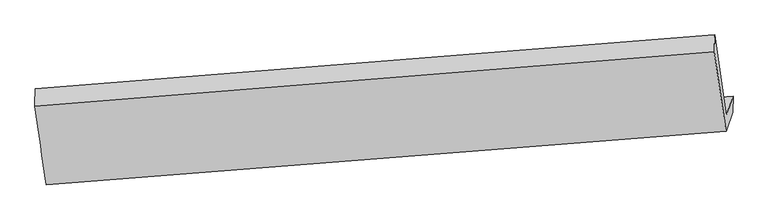
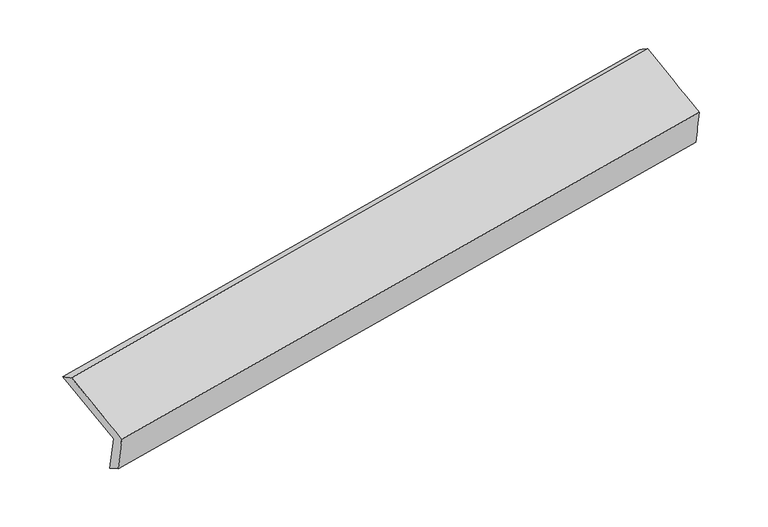
"""IFC4 building model written with IfcOpenShell, lengths in millimetres: proxy geometry."""

from ifc_helpers import new_model, si_unit, frame, origin, place, context, project, spatial, source, transform, mapped, element, save
from ifc_brep_helpers import plane_surface, spline_surface, advanced_brep


def generic_models_646f6cad(model_context):
    return source(origin(), model_context, "Body", "AdvancedBrep", [
        advanced_brep(
        [(-5445.9600944, -1898.132894, 1488.6621052), (-5533.4569814, -1287.8213769, 1715.02305), (-337.6180913, -877.7898222, 2615.3091912), (-249.2569828, -1491.5069, 2387.7370131), (-5394.502708, -1752.4115886, 1115.6603494), (-198.1202324, -1346.693598, 2017.0594669), (-5396.293122, -1876.3247727, 1185.1289297), (-199.7702219, -1470.1822223, 2085.8097114), (-5448.5325111, -2024.2606187, 1563.7992288), (-252.2561785, -1614.2329549, 2464.0766303), (-5534.5697445, -1424.1305314, 1786.3839412), (-341.8942939, -1005.1559305, 2701.3948145)],
        [
            (0, 1),
            (1, 2),
            (2, 3),
            (3, 0),
            (4, 0),
            (3, 5),
            (5, 4),
            (6, 4),
            (5, 7),
            (7, 6),
            (8, 6),
            (7, 9),
            (9, 8),
            (10, 8),
            (9, 11),
            (11, 10),
            (1, 10),
            (11, 2),
        ],
        [
            spline_surface(1, 1, [[(-5445.9600944, -1898.132894, 1488.6621052), (-249.2569828, -1491.5069, 2387.7370131)], [(-5533.4569814, -1287.8213769, 1715.02305), (-337.6180913, -877.7898222, 2615.3091912)]], [2, 2], [2, 2], [0.0, 1.0], [0.0, 1.0]),
            plane_surface(frame((-5420.2314012, -1825.2722413, 1302.1612273), z_axis=(-0.13236666084012594, 0.9292999504054302, 0.34479076158519717), x_axis=(-0.12744910059341974, -0.3609209605159369, 0.9238467335105872))),
            spline_surface(1, 1, [[(-5396.293122, -1876.3247727, 1185.1289297), (-199.7702219, -1470.1822223, 2085.8097114)], [(-5394.502708, -1752.4115886, 1115.6603494), (-198.1202324, -1346.693598, 2017.0594669)]], [2, 2], [2, 2], [0.0, 1.0], [0.0, 1.0]),
            spline_surface(1, 1, [[(-5448.5325111, -2024.2606187, 1563.7992288), (-252.2561785, -1614.2329549, 2464.0766303)], [(-5396.293122, -1876.3247727, 1185.1289297), (-199.7702219, -1470.1822223, 2085.8097114)]], [2, 2], [2, 2], [0.0, 1.0], [0.0, 1.0]),
            spline_surface(1, 1, [[(-5534.5697445, -1424.1305314, 1786.3839412), (-341.8942939, -1005.1559305, 2701.3948145)], [(-5448.5325111, -2024.2606187, 1563.7992288), (-252.2561785, -1614.2329549, 2464.0766303)]], [2, 2], [2, 2], [0.0, 1.0], [0.0, 1.0]),
            spline_surface(1, 1, [[(-5533.4569814, -1287.8213769, 1715.02305), (-337.6180913, -877.7898222, 2615.3091912)], [(-5534.5697445, -1424.1305314, 1786.3839412), (-341.8942939, -1005.1559305, 2701.3948145)]], [2, 2], [2, 2], [0.0, 1.0], [0.0, 1.0]),
            plane_surface(frame((-263.1526668, -1300.9269047, 2378.5644712), z_axis=(0.9827813928241353, 0.07968076567001639, 0.1667084565968163), x_axis=(0.12859290943574786, 0.3529306501374404, -0.926770640361688))),
            plane_surface(frame((-5458.8858602, -1710.5136304, 1475.7762674), z_axis=(-0.9828578311638376, -0.07914872688972566, -0.16651114903108719), x_axis=(0.13321865664350716, -0.9292316930087999, -0.3446465584190548))),
        ],
        [
            (0, [[1, 2, 3, 4]]),
            (1, [[5, -4, 6, 7]]),
            (2, [[8, -7, 9, 10]]),
            (3, [[11, -10, 12, 13]]),
            (4, [[14, -13, 15, 16]]),
            (5, [[17, -16, 18, -2]]),
            (6, [[-12, -9, -6, -3, -18, -15]]),
            (7, [[-1, -5, -8, -11, -14, -17]]),
        ],
    ),
    ])


if __name__ == "__main__":
    model = new_model("IFC4")
    model_context = context("Model", 3, world=origin())
    ifc_project = project(units=[si_unit("LENGTHUNIT", "METRE", prefix="MILLI")], contexts=[model_context])
    site = spatial("IfcSite", under=ifc_project)
    building = spatial("IfcBuilding", under=site)
    placement = place(None, origin())
    generic_models_shape = generic_models_646f6cad(model_context)
    element("IfcBuildingElementProxy", 1, Name="Generic Models", at=placement, inside=building, context=model_context, shape_type="MappedRepresentation", body=[
        mapped(generic_models_shape, transform((0.0, 0.0, 0.0), x_axis=(1.0, 0.0, 0.0), y_axis=(0.0, 1.0, 0.0), z_axis=(0.0, 0.0, 1.0))),
    ])
    save(model, "model.ifc")
